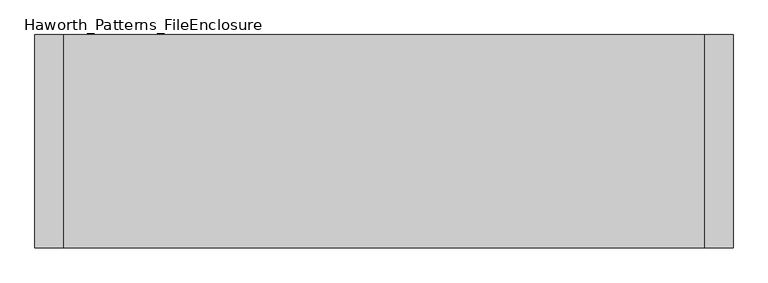
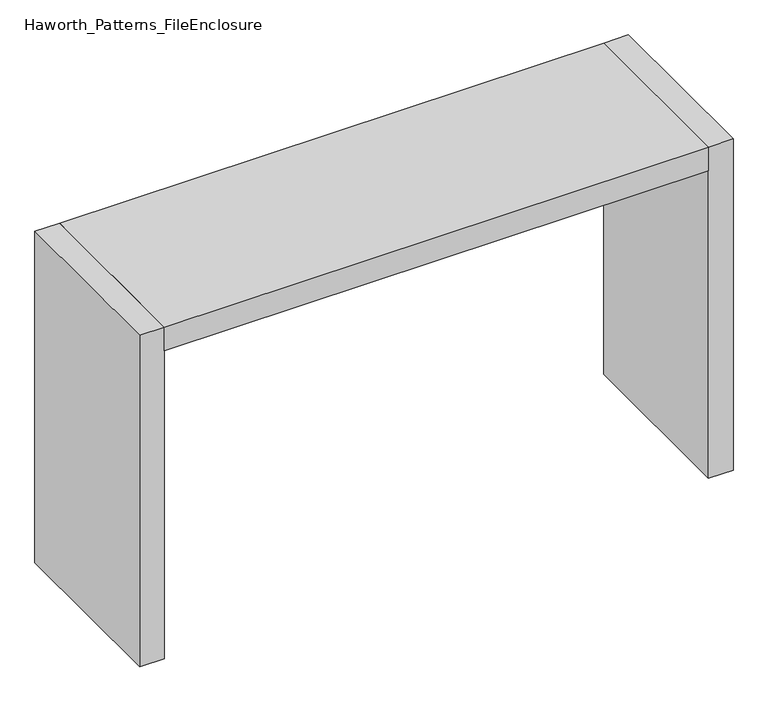
"""IFC4 building model written with IfcOpenShell, lengths in millimetres: furniture geometry, Haworth_Patterns_FileEnclosure."""

from ifc_helpers import new_model, si_unit, frame, origin, origin_with_axes, place, context, project, spatial, polyline, outline, extrude, source, transform, mapped, element, save


def haworth_patterns_fileenclosure_a2b92793(model_context):
    return source(origin(), model_context, "Body", "SweptSolid", [
        extrude(outline(polyline([(838.2, 0.0), (838.2, -558.8), (-838.2, -558.8), (-838.2, 0.0), (838.2, 0.0)])), frame((0.0, 0.0, 1003.3), z_axis=(0.0, 0.0, 1.0), x_axis=(1.0, 0.0, 0.0)), (0.0, 0.0, 1.0), 76.2),
        extrude(outline(polyline([(838.2, 0.0), (914.4, 0.0), (914.4, -558.8), (838.2, -558.8), (838.2, 0.0)])), origin_with_axes(), (0.0, 0.0, 1.0), 1079.5),
        extrude(outline(polyline([(-838.2, 0.0), (-838.2, -558.8), (-914.4, -558.8), (-914.4, 0.0), (-838.2, 0.0)])), origin_with_axes(), (0.0, 0.0, 1.0), 1079.5),
    ])


if __name__ == "__main__":
    model = new_model("IFC4")
    model_context = context("Model", 3, world=origin())
    ifc_project = project(units=[si_unit("LENGTHUNIT", "METRE", prefix="MILLI")], contexts=[model_context])
    site = spatial("IfcSite", under=ifc_project)
    building = spatial("IfcBuilding", under=site)
    placement = place(None, origin())
    haworth_patterns_fileenclosure_shape = haworth_patterns_fileenclosure_a2b92793(model_context)
    element("IfcFurniture", 1, ObjectType="Haworth_Patterns_FileEnclosure", at=placement, inside=building, context=model_context, shape_type="MappedRepresentation", body=[
        mapped(haworth_patterns_fileenclosure_shape, transform((0.0, 0.0, 0.0), x_axis=(1.0, 0.0, 0.0), y_axis=(0.0, 1.0, 0.0), z_axis=(0.0, 0.0, 1.0))),
    ])
    save(model, "model.ifc")
